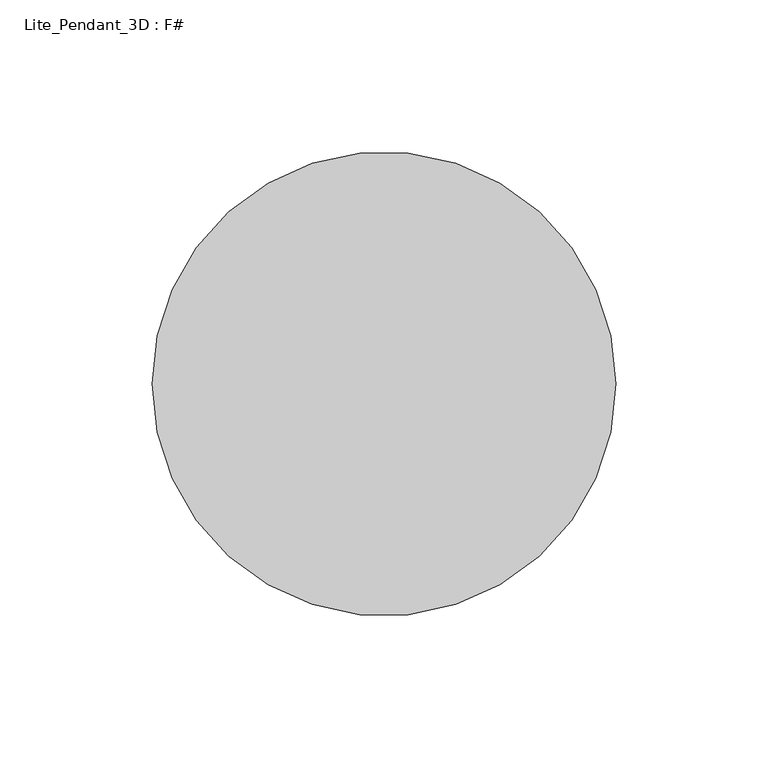
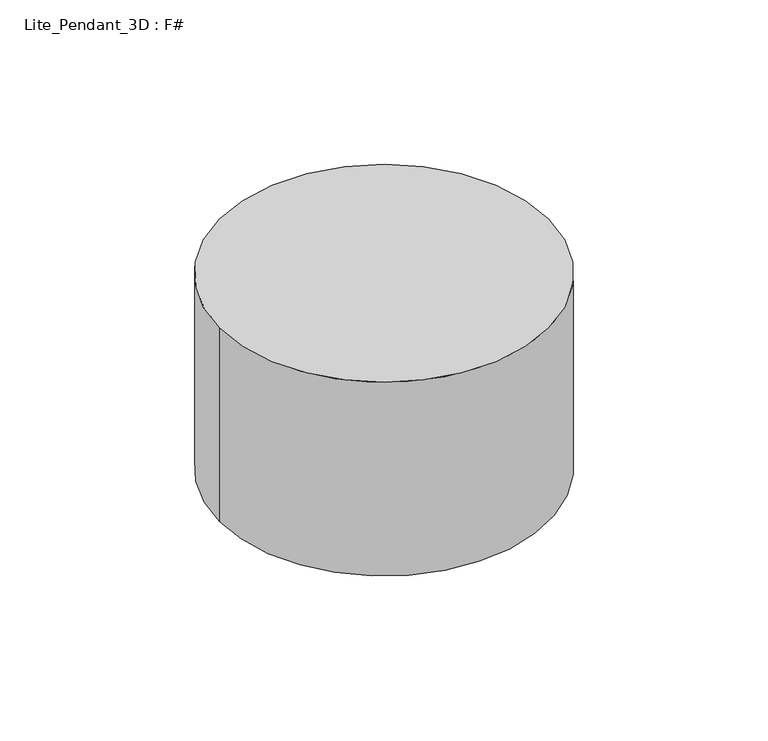
"""IFC4 building model written with IfcOpenShell, lengths in millimetres: light fixture geometry, Lite_Pendant_3D : F#."""

from ifc_helpers import new_model, si_unit, point, frame, origin, origin_2d, place, context, project, spatial, circle_curve, trimmed, segment, composite_curve, outline, extrude, source, transform, mapped, element, save


def lite_pendant_3d_f_68fdb5b3(model_context):
    return source(origin(), model_context, "Body", "SweptSolid", [
        extrude(outline(composite_curve([segment(trimmed(circle_curve(origin_2d(), 76.2), [point((-76.2, 0.0))], [point((76.2, 0.0))], False, "CARTESIAN"), True, "CONTINUOUS"), segment(trimmed(circle_curve(origin_2d(), 76.2), [point((76.2, 0.0))], [point((-76.2, 0.0))], False, "CARTESIAN"), True, "CONTINUOUS")], self_intersect=False)), frame((0.0, 0.0, -1314.1221708), z_axis=(0.0, 0.0, 1.0), x_axis=(1.0, 0.0, 0.0)), (0.0, 0.0, 1.0), 94.9221708),
    ])


if __name__ == "__main__":
    model = new_model("IFC4")
    model_context = context("Model", 3, world=origin())
    ifc_project = project(units=[si_unit("LENGTHUNIT", "METRE", prefix="MILLI")], contexts=[model_context])
    site = spatial("IfcSite", under=ifc_project)
    building = spatial("IfcBuilding", under=site)
    placement = place(None, origin())
    lite_pendant_3d_f_shape = lite_pendant_3d_f_68fdb5b3(model_context)
    element("IfcLightFixture", 1, ObjectType="Lite_Pendant_3D : F#", at=placement, inside=building, context=model_context, shape_type="MappedRepresentation", body=[
        mapped(lite_pendant_3d_f_shape, transform((0.0, 0.0, 0.0), x_axis=(1.0, 0.0, 0.0), y_axis=(0.0, 1.0, 0.0), z_axis=(0.0, 0.0, 1.0))),
    ])
    save(model, "model.ifc")
